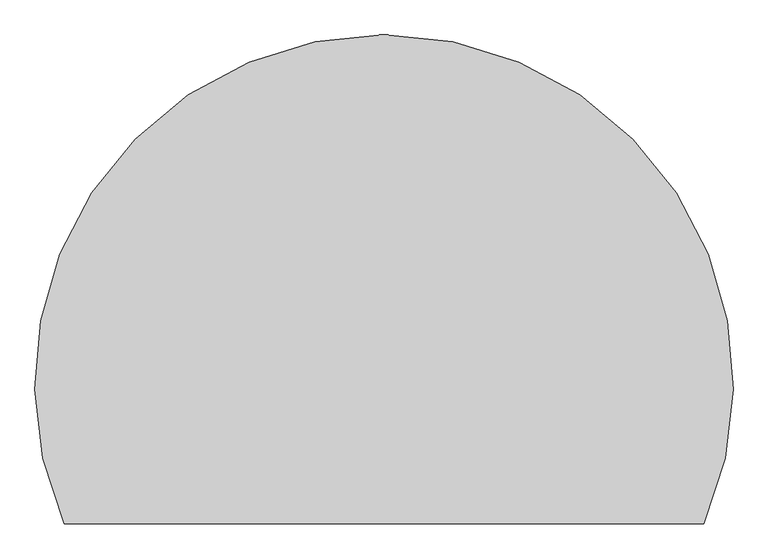
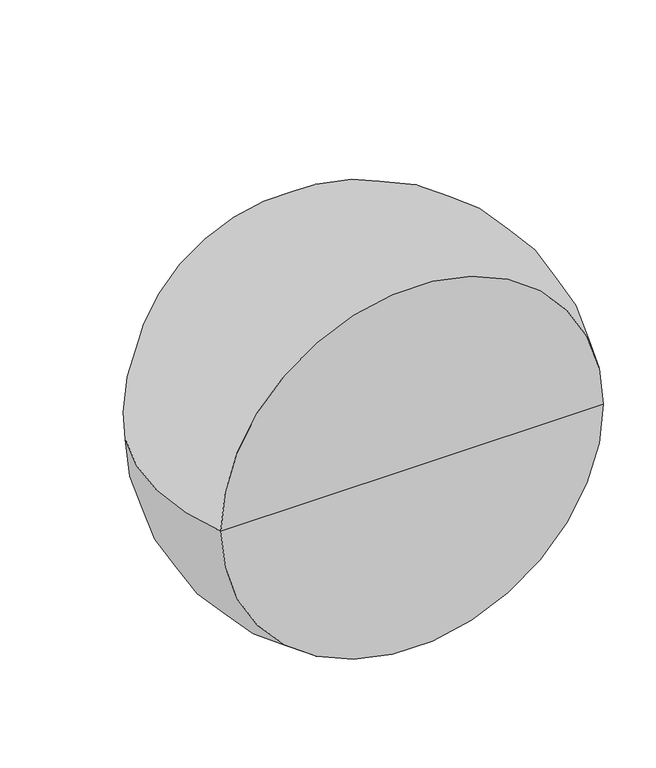
"""IFC4 building model written with IfcOpenShell, lengths in millimetres: proxy geometry."""

import ifcopenshell
import ifcopenshell.guid

model = None  # the IFC model being written
_history = None  # IfcOwnerHistory: only IFC2X3 demands one
_inside = {}  # id of a spatial element -> (the spatial element, [elements in it])
_under = {}  # id of a project, library or spatial element -> (it, [spatial elements below it])
_declared = {}  # id of a project -> (the project, [libraries it declares])
_typed = {}  # id of a type object -> (the type object, [elements of that type])
_made_of = {}  # id of a material, layer set ... -> (it, [elements and type objects made of it])


def new_model(schema):
    """Start an empty IFC model of exactly this schema.

    Asked for "IFC4X3", IfcOpenShell would pick the latest addendum, in which some entities
    have other attributes; the version numbers below select the first issue.
    IFC2X3 requires an IfcOwnerHistory on every rooted entity: one is made here for all.
    """
    global model, _history
    if schema == "IFC4X3":
        model = ifcopenshell.file(schema_version=(4, 3, 0, 0))
    else:
        model = ifcopenshell.file(schema=schema)
    _inside.clear()
    _under.clear()
    _declared.clear()
    _typed.clear()
    _made_of.clear()
    _history = None
    if model.schema == "IFC2X3":
        org = make("IfcOrganization", Name="unknown")
        user = make(
            "IfcPersonAndOrganization",
            ThePerson=make("IfcPerson", FamilyName="unknown"),
            TheOrganization=org,
        )
        app = make(
            "IfcApplication",
            ApplicationDeveloper=org,
            Version="unknown",
            ApplicationFullName="unknown",
            ApplicationIdentifier="unknown",
        )
        _history = make(
            "IfcOwnerHistory",
            OwningUser=user,
            OwningApplication=app,
            ChangeAction="ADDED",
            CreationDate=0,
        )
    return model


def make(cls, **values):
    """One entity of the class cls with the attributes given. An attribute that is None is left unset."""
    return model.create_entity(
        cls, **{name: value for name, value in values.items() if value is not None}
    )


def rooted(cls, **values):
    """An entity with a GlobalId (a new one), such as an element, a storey or a relation."""
    return make(cls, GlobalId=ifcopenshell.guid.new(), OwnerHistory=_history, **values)


def si_unit(unit_type, name, prefix=None):
    """IfcSIUnit, for example si_unit("LENGTHUNIT", "METRE", prefix="MILLI")."""
    return make("IfcSIUnit", UnitType=unit_type, Prefix=prefix, Name=name)


def assignment(units):
    """IfcUnitAssignment: the units of a project."""
    return None if units is None else make("IfcUnitAssignment", Units=units)


def point(xyz):
    """IfcCartesianPoint."""
    return None if xyz is None else make("IfcCartesianPoint", Coordinates=xyz)


def direction(xyz):
    """IfcDirection."""
    return None if xyz is None else make("IfcDirection", DirectionRatios=xyz)


def frame(location, z_axis=None, x_axis=None):
    """IfcAxis2Placement3D, a coordinate frame: its origin and axes. An axis left out is left unset."""
    return make(
        "IfcAxis2Placement3D",
        Location=point(location),
        Axis=direction(z_axis),
        RefDirection=direction(x_axis),
    )


def origin():
    """The frame at (0, 0, 0) with its axes left unset."""
    return frame((0.0, 0.0, 0.0))


def place(relative_to, where):
    """IfcLocalPlacement: puts the frame where relative to a parent placement (None: the world)."""
    return make(
        "IfcLocalPlacement", PlacementRelTo=relative_to, RelativePlacement=where
    )


def context(
    kind, dimensions, precision=None, world=None, true_north=None, identifier=None
):
    """IfcGeometricRepresentationContext, for example the 3D "Model" context."""
    return make(
        "IfcGeometricRepresentationContext",
        ContextIdentifier=identifier,
        ContextType=kind,
        CoordinateSpaceDimension=dimensions,
        Precision=precision,
        WorldCoordinateSystem=world,
        TrueNorth=true_north,
    )


def project(units=None, contexts=None):
    """IfcProject with its units and contexts."""
    return rooted(
        "IfcProject",
        Name="project",
        RepresentationContexts=contexts,
        UnitsInContext=assignment(units),
    )


def spatial(cls, under=None, at=None, **own):
    """A site, building, storey or space (cls), placed at a placement, below another one or the project."""
    s = rooted(cls, ObjectPlacement=at, **own)
    if under is not None:
        _under.setdefault(under.id(), (under, []))[1].append(s)
    return s


def circle_curve(where, radius):
    """IfcCircle in the frame where."""
    return make("IfcCircle", Position=where, Radius=radius)


def ellipse_curve(where, semi_axis1, semi_axis2):
    """IfcEllipse in the frame where."""
    return make(
        "IfcEllipse", Position=where, SemiAxis1=semi_axis1, SemiAxis2=semi_axis2
    )


def trimmed(basis, trim1, trim2, sense, master):
    """IfcTrimmedCurve: the piece of a basis curve between two trims."""
    return make(
        "IfcTrimmedCurve",
        BasisCurve=basis,
        Trim1=trim1,
        Trim2=trim2,
        SenseAgreement=sense,
        MasterRepresentation=master,
    )


def shape(context_of_items, identifier, shape_type, items):
    """IfcShapeRepresentation: the items that make up one representation, for example the "Body"."""
    return make(
        "IfcShapeRepresentation",
        ContextOfItems=context_of_items,
        RepresentationIdentifier=identifier,
        RepresentationType=shape_type,
        Items=items,
    )


def source(mapping_origin, context_of_items, identifier, shape_type, items):
    """IfcRepresentationMap: a shape defined once, which mapped items show again and again."""
    return make(
        "IfcRepresentationMap",
        MappingOrigin=mapping_origin,
        MappedRepresentation=shape(context_of_items, identifier, shape_type, items),
    )


def transform(
    local_origin,
    x_axis=None,
    y_axis=None,
    z_axis=None,
    scale=None,
    scale2=None,
    scale3=None,
    uniform=True,
):
    """IfcCartesianTransformationOperator3D, or its non-uniform kind. x_axis, y_axis, z_axis: its Axis1, 2, 3."""
    if uniform:
        return make(
            "IfcCartesianTransformationOperator3D",
            Axis1=direction(x_axis),
            Axis2=direction(y_axis),
            LocalOrigin=point(local_origin),
            Scale=scale,
            Axis3=direction(z_axis),
        )
    return make(
        "IfcCartesianTransformationOperator3DnonUniform",
        Axis1=direction(x_axis),
        Axis2=direction(y_axis),
        LocalOrigin=point(local_origin),
        Scale=scale,
        Axis3=direction(z_axis),
        Scale2=scale2,
        Scale3=scale3,
    )


def mapped(mapping_source, mapping_target):
    """IfcMappedItem: shows the shape of a source again, moved by a transform."""
    return make(
        "IfcMappedItem", MappingSource=mapping_source, MappingTarget=mapping_target
    )


def made_of(thing, what):
    """Note that an element or type object is made of a material, layer set ...; save() writes the relation."""
    if what is not None:
        _made_of.setdefault(what.id(), (what, []))[1].append(thing)
    return thing


def element(
    cls,
    number,
    at=None,
    inside=None,
    cuts=None,
    type_object=None,
    material=None,
    context=None,
    identifier="Body",
    shape_type=None,
    held_by="IfcProductDefinitionShape",
    body=None,
    shapes=None,
    **own,
):
    """One element of the class cls, such as IfcWall. Its Tag is "e" and its number.

    at: its placement. inside: the storey or other place that contains it. cuts: it is an
    opening in that element (IfcRelVoidsElement). A single representation is given by context,
    identifier, shape_type and body (its items); several are given by shapes. held_by: the class
    of the entity that holds the representations. save() writes the other relations.
    """
    e = rooted(cls, Tag="e%d" % number, ObjectPlacement=at, **own)
    if body is not None:
        shapes = [shape(context, identifier, shape_type, body)]
    if shapes is not None:
        e.Representation = make(held_by, Representations=shapes)
    if inside is not None:
        _inside.setdefault(inside.id(), (inside, []))[1].append(e)
    if cuts is not None:
        rooted(
            "IfcRelVoidsElement", RelatingBuildingElement=cuts, RelatedOpeningElement=e
        )
    if type_object is not None:
        _typed.setdefault(type_object.id(), (type_object, []))[1].append(e)
    return made_of(e, material)


def aggregate(whole, parts):
    """IfcRelAggregates: a whole, such as a stair, and the parts it consists of."""
    return rooted("IfcRelAggregates", RelatingObject=whole, RelatedObjects=parts)


def save(model, path):
    """Write the relations noted so far, then the file.

    IfcRelAggregates (storeys below a building ...), IfcRelContainedInSpatialStructure (elements
    in a storey), IfcRelDefinesByType, IfcRelAssociatesMaterial and IfcRelDeclares: one each for
    every whole, place, type object, material and project.
    """
    for whole, parts in _under.values():
        aggregate(whole, parts)
    for where, things in _inside.values():
        rooted(
            "IfcRelContainedInSpatialStructure",
            RelatedElements=things,
            RelatingStructure=where,
        )
    for kind, things in _typed.values():
        rooted("IfcRelDefinesByType", RelatedObjects=things, RelatingType=kind)
    for what, things in _made_of.values():
        rooted("IfcRelAssociatesMaterial", RelatedObjects=things, RelatingMaterial=what)
    for by, libraries in _declared.values():
        rooted("IfcRelDeclares", RelatingContext=by, RelatedDefinitions=libraries)
    model.write(path)


def plane_surface(at):
    """IfcPlane: the flat surface through the origin of the frame at, square to its z axis."""
    return make("IfcPlane", Position=at)


def revolved_surface(curve, axis_point, axis_direction):
    """IfcSurfaceOfRevolution: the curve turned about the line through axis_point along axis_direction."""
    return make(
        "IfcSurfaceOfRevolution",
        SweptCurve=make("IfcArbitraryOpenProfileDef", ProfileType="CURVE", Curve=curve),
        AxisPosition=make("IfcAxis1Placement", Location=point(axis_point), Axis=direction(axis_direction)),
    )


def advanced_brep(points, edges, surfaces, faces):
    """IfcAdvancedBrep: a solid bounded by faces that lie on surfaces and meet in shared edges.

    An edge is (start, end): straight between two places in points (the first is 0);
    or (start, end, curve); or (start, end, curve, False) where it runs against its curve.
    A face is (place in surfaces, loops), or (place, loops, False) where it looks against
    its surface's normal. A loop lists edges by number (the first is 1), with a minus sign
    where the edge is run from its end to its start. The first loop is the outer one.
    """
    corners = [point(p) for p in points]
    vertices = [make("IfcVertexPoint", VertexGeometry=c) for c in corners]
    made = []
    for start, end, *more in edges:
        made.append(
            make(
                "IfcEdgeCurve",
                EdgeStart=vertices[start],
                EdgeEnd=vertices[end],
                EdgeGeometry=more[0] if more else make("IfcPolyline", Points=[corners[start], corners[end]]),
                SameSense=more[1] if len(more) > 1 else True,
            )
        )
    hull = []
    for where, loops, *sense in faces:
        bounds = []
        for j, loop in enumerate(loops):
            ring = [make("IfcOrientedEdge", EdgeElement=made[abs(k) - 1], Orientation=k > 0) for k in loop]
            bounds.append(
                make(
                    "IfcFaceOuterBound" if j == 0 else "IfcFaceBound",
                    Bound=make("IfcEdgeLoop", EdgeList=ring),
                    Orientation=True,
                )
            )
        hull.append(make("IfcAdvancedFace", Bounds=bounds, FaceSurface=surfaces[where], SameSense=sense[0] if sense else True))
    return make("IfcAdvancedBrep", Outer=make("IfcClosedShell", CfsFaces=hull))


def generic_models_0d8a5030(model_context):
    return source(origin(), model_context, "Body", "AdvancedBrep", [
        advanced_brep(
        [(33204.6591631, 600.0, 0.0), (31371.6288851, 600.0, 0.0), (32288.1440241, 2000.0, 0.0), (32288.1440241, 600.0, 0.0)],
        [
            (0, 1, circle_curve(frame((32288.1440241, 600.0, 0.0), z_axis=(0.0, 1.0, 0.0), x_axis=(-1.0, 0.0, 0.0)), 916.515139)),
            (1, 2, circle_curve(frame((32288.1440241, 1000.0, 0.0), z_axis=(0.0, 0.0, -1.0), x_axis=(1.0, 0.0, 0.0)), 1000.0)),
            (2, 0, circle_curve(frame((32288.1440241, 1000.0, 0.0), z_axis=(0.0, 0.0, -1.0), x_axis=(-1.0, 0.0, 0.0)), 1000.0)),
            (1, 0, circle_curve(frame((32288.1440241, 600.0, 0.0), z_axis=(0.0, 1.0, 0.0), x_axis=(-1.0, 0.0, 0.0)), 916.515139)),
            (3, 1),
            (0, 3),
        ],
        [
            revolved_surface(trimmed(ellipse_curve(frame((32288.1440241, 1000.0, 0.0), z_axis=(0.0, 0.0, 1.0), x_axis=(1.0, 0.0, 0.0)), 1000.0, 1000.0), [point((32288.1440241, 2000.0, 0.0))], [point((31371.6288851, 600.0, 0.0))], True, "CARTESIAN"), (32288.1440241, -298.6205071, 0.0), (0.0, -1.0, 0.0)),
            plane_surface(frame((32288.1440241, 600.0, 0.0), z_axis=(0.0, -1.0, 0.0), x_axis=(-1.0, 0.0, 0.0))),
        ],
        [
            (0, [[1, 2, 3]]),
            (0, [[4, -3, -2]]),
            (1, [[5, -1, 6]]),
            (1, [[-6, -4, -5]]),
        ],
    ),
    ])


if __name__ == "__main__":
    model = new_model("IFC4")
    model_context = context("Model", 3, world=origin())
    ifc_project = project(units=[si_unit("LENGTHUNIT", "METRE", prefix="MILLI")], contexts=[model_context])
    site = spatial("IfcSite", under=ifc_project)
    building = spatial("IfcBuilding", under=site)
    placement = place(None, origin())
    generic_models_shape = generic_models_0d8a5030(model_context)
    element("IfcBuildingElementProxy", 1, Name="Generic Models", at=placement, inside=building, context=model_context, shape_type="MappedRepresentation", body=[
        mapped(generic_models_shape, transform((0.0, 0.0, 0.0), x_axis=(1.0, 0.0, 0.0), y_axis=(0.0, 1.0, 0.0), z_axis=(0.0, 0.0, 1.0))),
    ])
    save(model, "model.ifc")
